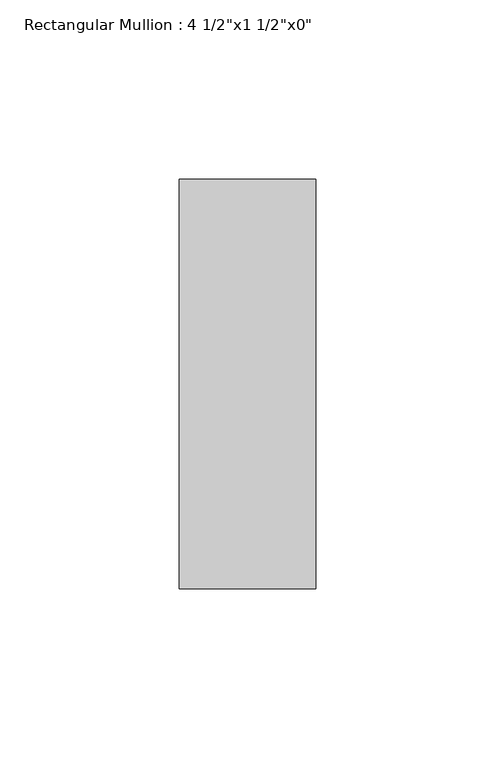
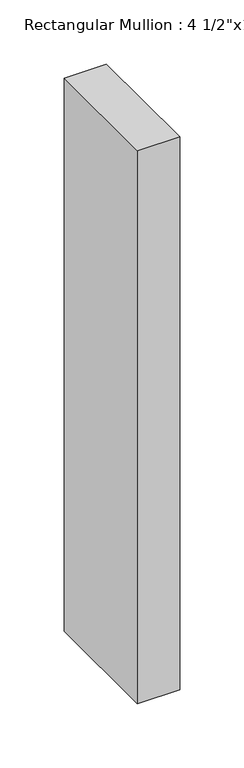
"""IFC4 building model written with IfcOpenShell, lengths in millimetres: member geometry."""

from ifc_helpers import new_model, si_unit, frame, origin, place, context, project, spatial, polyline, outline, extrude, source, transform, mapped, element, save


def member_a6e4c5d6(model_context):
    return source(origin(), model_context, "Body", "SweptSolid", [
        extrude(outline(polyline([(0.0, 57.15), (0.0, -57.15), (-38.1, -57.15), (-38.1, 57.15), (0.0, 57.15)])), frame((0.0, 0.0, -527.05), z_axis=(0.0, 0.0, 1.0), x_axis=(1.0, 0.0, 0.0)), (0.0, 0.0, 1.0), 527.05),
    ])


if __name__ == "__main__":
    model = new_model("IFC4")
    model_context = context("Model", 3, world=origin())
    ifc_project = project(units=[si_unit("LENGTHUNIT", "METRE", prefix="MILLI")], contexts=[model_context])
    site = spatial("IfcSite", under=ifc_project)
    building = spatial("IfcBuilding", under=site)
    placement = place(None, origin())
    member_shape = member_a6e4c5d6(model_context)
    element("IfcMember", 1, ObjectType="Rectangular Mullion : 4 1/2\"x1 1/2\"x0\"", at=placement, inside=building, context=model_context, shape_type="MappedRepresentation", body=[
        mapped(member_shape, transform((0.0, 0.0, 0.0), x_axis=(1.0, 0.0, 0.0), y_axis=(0.0, 1.0, 0.0), z_axis=(0.0, 0.0, 1.0))),
    ])
    save(model, "model.ifc")
